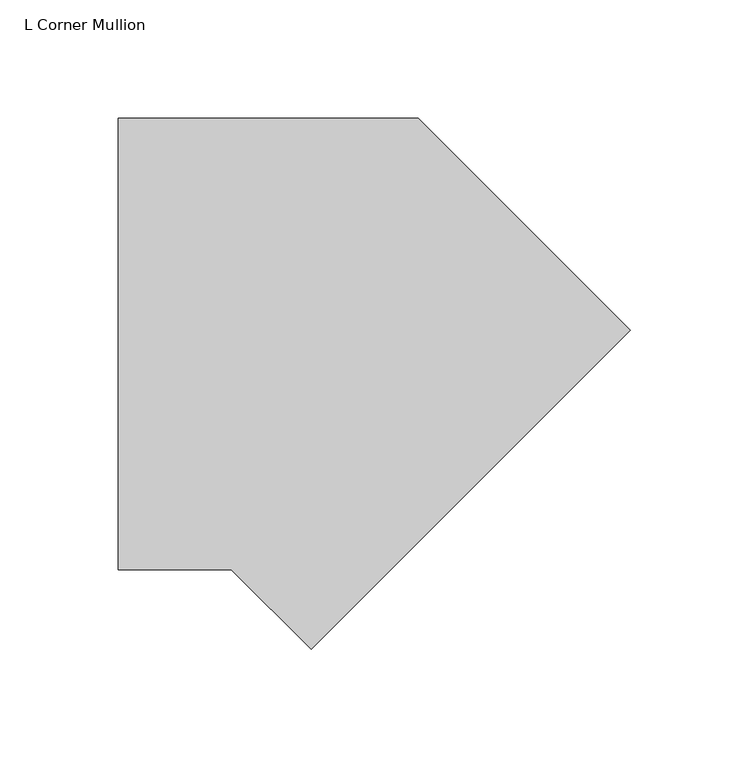
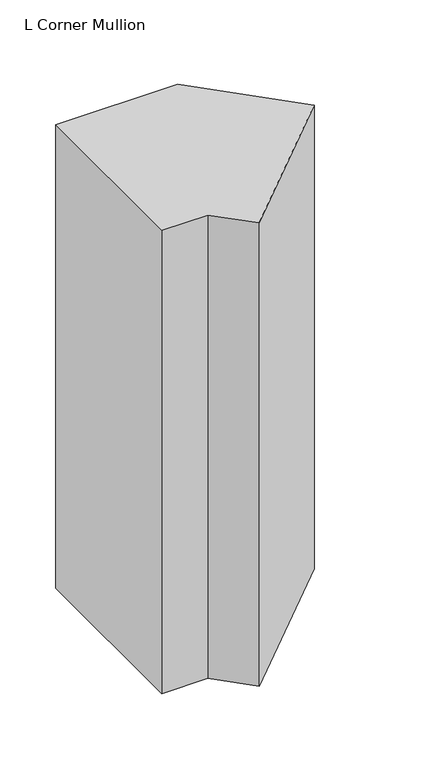
"""IFC4 building model written with IfcOpenShell, lengths in millimetres: member geometry, L Corner Mullion."""

from ifc_helpers import new_model, si_unit, frame, origin, place, context, project, spatial, polyline, outline, extrude, source, transform, mapped, element, save


def l_corner_mullion_80d57b19(model_context):
    return source(origin(), model_context, "Body", "SweptSolid", [
        extrude(outline(polyline([(-29.4252817, -186.1008652), (-63.1261469, -152.4), (-110.7863676, -152.4), (-110.7863676, 38.1), (15.7815367, 38.1), (105.2785601, -51.3970234), (-29.4252817, -186.1008652)])), frame((0.0, 0.0, -507.51022), z_axis=(0.0, 0.0, 1.0), x_axis=(1.0, 0.0, 0.0)), (0.0, 0.0, 1.0), 507.51022),
    ])


if __name__ == "__main__":
    model = new_model("IFC4")
    model_context = context("Model", 3, world=origin())
    ifc_project = project(units=[si_unit("LENGTHUNIT", "METRE", prefix="MILLI")], contexts=[model_context])
    site = spatial("IfcSite", under=ifc_project)
    building = spatial("IfcBuilding", under=site)
    placement = place(None, origin())
    l_corner_mullion_shape = l_corner_mullion_80d57b19(model_context)
    element("IfcMember", 1, ObjectType="L Corner Mullion", at=placement, inside=building, context=model_context, shape_type="MappedRepresentation", body=[
        mapped(l_corner_mullion_shape, transform((0.0, 0.0, 0.0), x_axis=(1.0, 0.0, 0.0), y_axis=(0.0, 1.0, 0.0), z_axis=(0.0, 0.0, 1.0))),
    ])
    save(model, "model.ifc")
